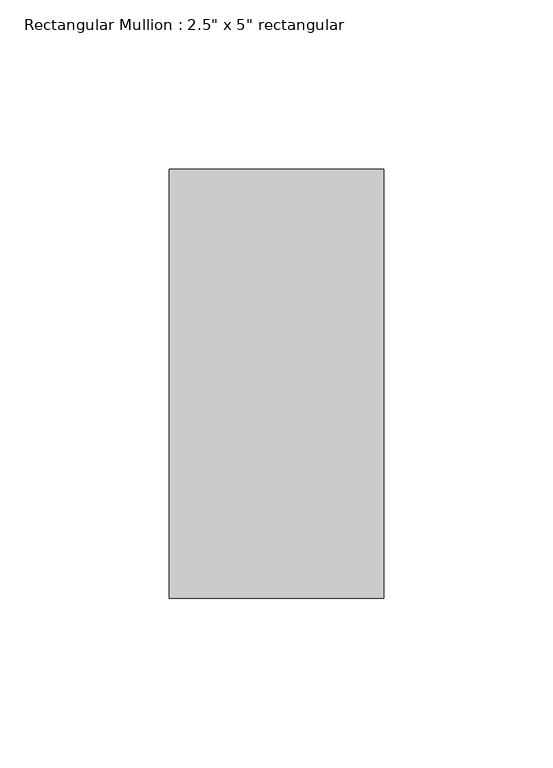
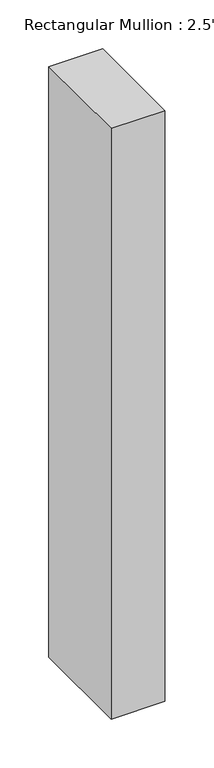
"""IFC4 building model written with IfcOpenShell, lengths in millimetres: member geometry."""

from ifc_helpers import new_model, si_unit, frame, origin, place, context, project, spatial, polyline, outline, extrude, source, transform, mapped, element, save


def member_9b97060d(model_context):
    return source(origin(), model_context, "Body", "SweptSolid", [
        extrude(outline(polyline([(31.75, 63.5), (31.75, -63.5), (-31.75, -63.5), (-31.75, 63.5), (31.75, 63.5)])), frame((0.0, 0.0, -736.874081), z_axis=(0.0, 0.0, 1.0), x_axis=(1.0, 0.0, 0.0)), (0.0, 0.0, 1.0), 736.874081),
    ])


if __name__ == "__main__":
    model = new_model("IFC4")
    model_context = context("Model", 3, world=origin())
    ifc_project = project(units=[si_unit("LENGTHUNIT", "METRE", prefix="MILLI")], contexts=[model_context])
    site = spatial("IfcSite", under=ifc_project)
    building = spatial("IfcBuilding", under=site)
    placement = place(None, origin())
    member_shape = member_9b97060d(model_context)
    element("IfcMember", 1, ObjectType="Rectangular Mullion : 2.5\" x 5\" rectangular", at=placement, inside=building, context=model_context, shape_type="MappedRepresentation", body=[
        mapped(member_shape, transform((0.0, 0.0, 0.0), x_axis=(1.0, 0.0, 0.0), y_axis=(0.0, 1.0, 0.0), z_axis=(0.0, 0.0, 1.0))),
    ])
    save(model, "model.ifc")
